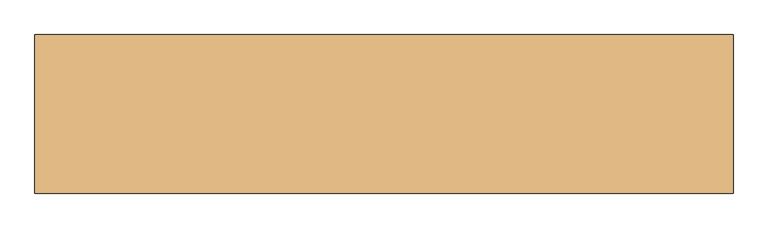
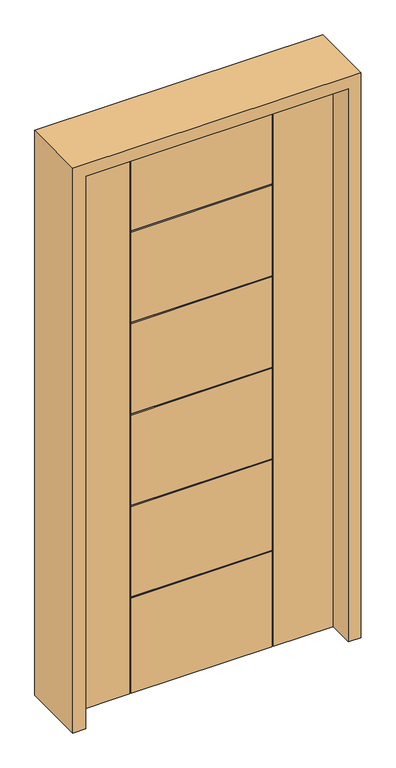
"""IFC4 building model written with IfcOpenShell, lengths in millimetres: door geometry."""

from ifc_helpers import new_model, si_unit, frame, origin, place, context, project, spatial, polyline, outline, extrude, faceted_brep, source, transform, mapped, element, save


def door_669792fb(model_context):
    return source(origin(), model_context, "Body", "SolidModel", [
        faceted_brep([(457.2, 22.225, 2032.0), (250.063, 22.225, 2032.0), (250.063, 17.4498, 2032.0), (245.2878, 17.4498, 2032.0), (245.2878, 22.225, 2032.0), (-245.2878, 22.225, 2032.0), (-245.2878, 17.4498, 2032.0), (-250.063, 17.4498, 2032.0), (-250.063, 22.225, 2032.0), (-457.2, 22.225, 2032.0), (-457.2, -22.225, 2032.0), (-250.063, -22.225, 2032.0), (-250.063, -17.4498, 2032.0), (-245.2878, -17.4498, 2032.0), (-245.2878, -22.225, 2032.0), (245.2878, -22.225, 2032.0), (245.2878, -17.4498, 2032.0), (250.063, -17.4498, 2032.0), (250.063, -22.225, 2032.0), (457.2, -22.225, 2032.0), (-457.2, 22.225, 0.0), (-250.063, 22.225, 0.0), (-250.063, 17.4498, 0.0), (-245.2878, 17.4498, 0.0), (-245.2878, 22.225, 0.0), (245.2878, 22.225, 0.0), (245.2878, 17.4498, 0.0), (250.063, 17.4498, 0.0), (250.063, 22.225, 0.0), (457.2, 22.225, 0.0), (457.2, -22.225, 0.0), (250.063, -22.225, 0.0), (250.063, -17.4498, 0.0), (245.2878, -17.4498, 0.0), (245.2878, -22.225, 0.0), (-245.2878, -22.225, 0.0), (-245.2878, -17.4498, 0.0), (-250.063, -17.4498, 0.0), (-250.063, -22.225, 0.0), (-457.2, -22.225, 0.0), (245.2878, 22.225, 1701.038), (-245.2878, 22.225, 1701.038), (-245.2878, 22.225, 350.266), (245.2878, 22.225, 350.266), (245.2878, 22.225, 1364.5388), (-245.2878, 22.225, 1364.5388), (-245.2878, 22.225, 1696.2628), (245.2878, 22.225, 1696.2628), (245.2878, 22.225, 1359.7636), (245.2878, 22.225, 1028.0396), (-245.2878, 22.225, 1028.0396), (-245.2878, 22.225, 1359.7636), (245.2878, 22.225, 691.5404), (-245.2878, 22.225, 691.5404), (-245.2878, 22.225, 1023.2644), (245.2878, 22.225, 1023.2644), (245.2878, 22.225, 686.7652), (245.2878, 22.225, 355.0412), (-245.2878, 22.225, 355.0412), (-245.2878, 22.225, 686.7652), (-245.2878, -22.225, 1701.038), (245.2878, -22.225, 1701.038), (245.2878, -22.225, 350.266), (-245.2878, -22.225, 350.266), (245.2878, -22.225, 1696.2628), (-245.2878, -22.225, 1696.2628), (-245.2878, -22.225, 1364.5388), (245.2878, -22.225, 1364.5388), (-245.2878, -22.225, 1359.7636), (-245.2878, -22.225, 1028.0396), (245.2878, -22.225, 1028.0396), (245.2878, -22.225, 1359.7636), (245.2878, -22.225, 1023.2644), (-245.2878, -22.225, 1023.2644), (-245.2878, -22.225, 691.5404), (245.2878, -22.225, 691.5404), (-245.2878, -22.225, 686.7652), (-245.2878, -22.225, 355.0412), (245.2878, -22.225, 355.0412), (245.2878, -22.225, 686.7652), (-245.2878, 17.4498, 1701.038), (245.2878, 17.4498, 1701.038), (245.2878, 17.4498, 350.266), (-245.2878, 17.4498, 350.266), (245.2878, 17.4498, 1696.2628), (-245.2878, 17.4498, 1696.2628), (-245.2878, 17.4498, 1364.5388), (245.2878, 17.4498, 1364.5388), (-245.2878, 17.4498, 1359.7636), (-245.2878, 17.4498, 1028.0396), (245.2878, 17.4498, 1028.0396), (245.2878, 17.4498, 1359.7636), (245.2878, 17.4498, 1023.2644), (-245.2878, 17.4498, 1023.2644), (-245.2878, 17.4498, 691.5404), (245.2878, 17.4498, 691.5404), (-245.2878, 17.4498, 686.7652), (-245.2878, 17.4498, 355.0412), (245.2878, 17.4498, 355.0412), (245.2878, 17.4498, 686.7652), (-245.2878, -17.4498, 350.266), (245.2878, -17.4498, 350.266), (245.2878, -17.4498, 1701.038), (-245.2878, -17.4498, 1701.038), (245.2878, -17.4498, 1696.2628), (245.2878, -17.4498, 1364.5388), (-245.2878, -17.4498, 1364.5388), (-245.2878, -17.4498, 1696.2628), (-245.2878, -17.4498, 1359.7636), (245.2878, -17.4498, 1359.7636), (245.2878, -17.4498, 1028.0396), (-245.2878, -17.4498, 1028.0396), (245.2878, -17.4498, 1023.2644), (245.2878, -17.4498, 691.5404), (-245.2878, -17.4498, 691.5404), (-245.2878, -17.4498, 1023.2644), (-245.2878, -17.4498, 686.7652), (245.2878, -17.4498, 686.7652), (245.2878, -17.4498, 355.0412), (-245.2878, -17.4498, 355.0412)], [[[0, 1, 2, 3, 4, 5, 6, 7, 8, 9, 10, 11, 12, 13, 14, 15, 16, 17, 18, 19]], [[20, 21, 22, 23, 24, 25, 26, 27, 28, 29, 30, 31, 32, 33, 34, 35, 36, 37, 38, 39]], [[9, 8, 21, 20]], [[29, 28, 1, 0]], [[4, 40, 41, 5]], [[24, 42, 43, 25]], [[44, 45, 46, 47]], [[48, 49, 50, 51]], [[52, 53, 54, 55]], [[56, 57, 58, 59]], [[19, 30, 29, 0]], [[19, 18, 31, 30]], [[39, 38, 11, 10]], [[14, 60, 61, 15]], [[34, 62, 63, 35]], [[64, 65, 66, 67]], [[68, 69, 70, 71]], [[72, 73, 74, 75]], [[76, 77, 78, 79]], [[9, 20, 39, 10]], [[23, 22, 7, 6, 80, 81, 3, 2, 27, 26, 82, 83], [84, 85, 86, 87], [88, 89, 90, 91], [92, 93, 94, 95], [96, 97, 98, 99]], [[83, 42, 24, 23]], [[82, 43, 42, 83]], [[26, 25, 43, 82]], [[2, 1, 28, 27]], [[81, 40, 4, 3]], [[80, 41, 40, 81]], [[6, 5, 41, 80]], [[22, 21, 8, 7]], [[87, 44, 47, 84]], [[86, 45, 44, 87]], [[85, 46, 45, 86]], [[84, 47, 46, 85]], [[91, 48, 51, 88]], [[90, 49, 48, 91]], [[89, 50, 49, 90]], [[88, 51, 50, 89]], [[95, 52, 55, 92]], [[94, 53, 52, 95]], [[93, 54, 53, 94]], [[92, 55, 54, 93]], [[99, 56, 59, 96]], [[98, 57, 56, 99]], [[97, 58, 57, 98]], [[96, 59, 58, 97]], [[37, 36, 100, 101, 33, 32, 17, 16, 102, 103, 13, 12], [104, 105, 106, 107], [108, 109, 110, 111], [112, 113, 114, 115], [116, 117, 118, 119]], [[36, 35, 63, 100]], [[100, 63, 62, 101]], [[101, 62, 34, 33]], [[32, 31, 18, 17]], [[16, 15, 61, 102]], [[102, 61, 60, 103]], [[103, 60, 14, 13]], [[12, 11, 38, 37]], [[104, 64, 67, 105]], [[105, 67, 66, 106]], [[106, 66, 65, 107]], [[107, 65, 64, 104]], [[108, 68, 71, 109]], [[109, 71, 70, 110]], [[110, 70, 69, 111]], [[111, 69, 68, 108]], [[112, 72, 75, 113]], [[113, 75, 74, 114]], [[114, 74, 73, 115]], [[115, 73, 72, 112]], [[116, 76, 79, 117]], [[117, 79, 78, 118]], [[118, 78, 77, 119]], [[119, 77, 76, 116]]]),
        extrude(outline(polyline([(0.0, -501.65), (0.0, -457.2), (2032.0, -457.2), (2032.0, 457.2), (0.0, 457.2), (0.0, 501.65), (2076.45, 501.65), (2076.45, -501.65), (0.0, -501.65)])), frame((0.0, -114.3, 0.0), z_axis=(0.0, 1.0, 0.0), x_axis=(0.0, 0.0, 1.0)), (0.0, 0.0, 1.0), 228.6),
    ])


if __name__ == "__main__":
    model = new_model("IFC4")
    model_context = context("Model", 3, world=origin())
    ifc_project = project(units=[si_unit("LENGTHUNIT", "METRE", prefix="MILLI")], contexts=[model_context])
    site = spatial("IfcSite", under=ifc_project)
    building = spatial("IfcBuilding", under=site)
    placement = place(None, origin())
    door_shape = door_669792fb(model_context)
    element("IfcDoor", 1, at=placement, inside=building, context=model_context, shape_type="MappedRepresentation", body=[
        mapped(door_shape, transform((0.0, 0.0, 0.0), x_axis=(1.0, 0.0, 0.0), y_axis=(0.0, 1.0, 0.0), z_axis=(0.0, 0.0, 1.0))),
    ])
    save(model, "model.ifc")
